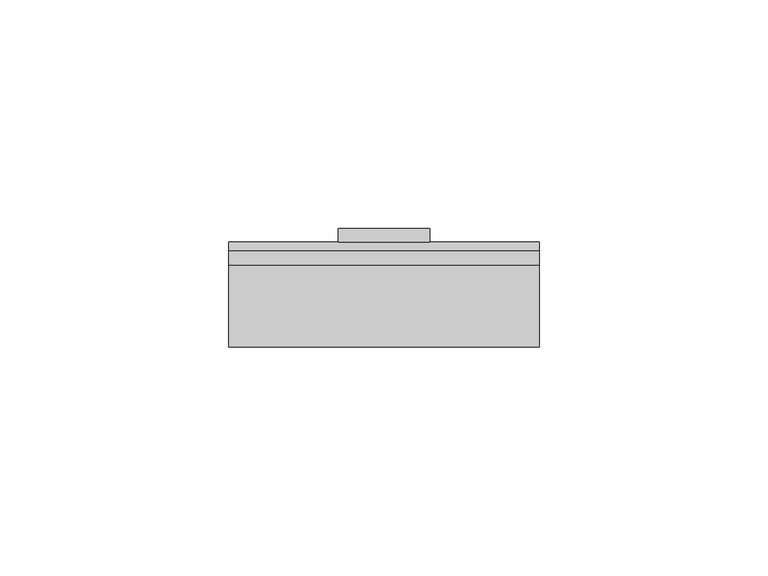
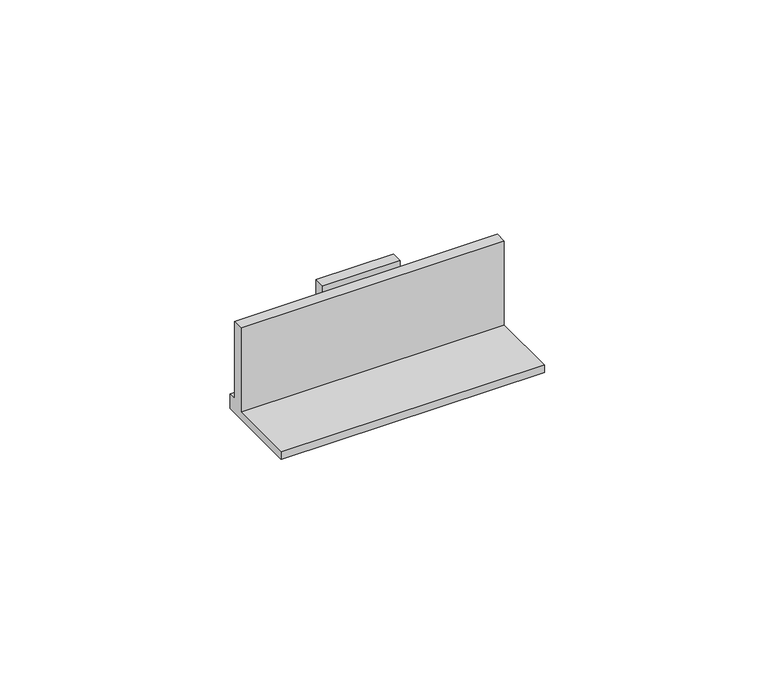
"""IFC4 building model written with IfcOpenShell, lengths in millimetres: proxy geometry."""

import ifcopenshell
import ifcopenshell.guid

model = None  # the IFC model being written
_history = None  # IfcOwnerHistory: only IFC2X3 demands one
_inside = {}  # id of a spatial element -> (the spatial element, [elements in it])
_under = {}  # id of a project, library or spatial element -> (it, [spatial elements below it])
_declared = {}  # id of a project -> (the project, [libraries it declares])
_typed = {}  # id of a type object -> (the type object, [elements of that type])
_made_of = {}  # id of a material, layer set ... -> (it, [elements and type objects made of it])


def new_model(schema):
    """Start an empty IFC model of exactly this schema.

    Asked for "IFC4X3", IfcOpenShell would pick the latest addendum, in which some entities
    have other attributes; the version numbers below select the first issue.
    IFC2X3 requires an IfcOwnerHistory on every rooted entity: one is made here for all.
    """
    global model, _history
    if schema == "IFC4X3":
        model = ifcopenshell.file(schema_version=(4, 3, 0, 0))
    else:
        model = ifcopenshell.file(schema=schema)
    _inside.clear()
    _under.clear()
    _declared.clear()
    _typed.clear()
    _made_of.clear()
    _history = None
    if model.schema == "IFC2X3":
        org = make("IfcOrganization", Name="unknown")
        user = make(
            "IfcPersonAndOrganization",
            ThePerson=make("IfcPerson", FamilyName="unknown"),
            TheOrganization=org,
        )
        app = make(
            "IfcApplication",
            ApplicationDeveloper=org,
            Version="unknown",
            ApplicationFullName="unknown",
            ApplicationIdentifier="unknown",
        )
        _history = make(
            "IfcOwnerHistory",
            OwningUser=user,
            OwningApplication=app,
            ChangeAction="ADDED",
            CreationDate=0,
        )
    return model


def make(cls, **values):
    """One entity of the class cls with the attributes given. An attribute that is None is left unset."""
    return model.create_entity(
        cls, **{name: value for name, value in values.items() if value is not None}
    )


def rooted(cls, **values):
    """An entity with a GlobalId (a new one), such as an element, a storey or a relation."""
    return make(cls, GlobalId=ifcopenshell.guid.new(), OwnerHistory=_history, **values)


def si_unit(unit_type, name, prefix=None):
    """IfcSIUnit, for example si_unit("LENGTHUNIT", "METRE", prefix="MILLI")."""
    return make("IfcSIUnit", UnitType=unit_type, Prefix=prefix, Name=name)


def assignment(units):
    """IfcUnitAssignment: the units of a project."""
    return None if units is None else make("IfcUnitAssignment", Units=units)


def point(xyz):
    """IfcCartesianPoint."""
    return None if xyz is None else make("IfcCartesianPoint", Coordinates=xyz)


def direction(xyz):
    """IfcDirection."""
    return None if xyz is None else make("IfcDirection", DirectionRatios=xyz)


def frame(location, z_axis=None, x_axis=None):
    """IfcAxis2Placement3D, a coordinate frame: its origin and axes. An axis left out is left unset."""
    return make(
        "IfcAxis2Placement3D",
        Location=point(location),
        Axis=direction(z_axis),
        RefDirection=direction(x_axis),
    )


def origin():
    """The frame at (0, 0, 0) with its axes left unset."""
    return frame((0.0, 0.0, 0.0))


def place(relative_to, where):
    """IfcLocalPlacement: puts the frame where relative to a parent placement (None: the world)."""
    return make(
        "IfcLocalPlacement", PlacementRelTo=relative_to, RelativePlacement=where
    )


def context(
    kind, dimensions, precision=None, world=None, true_north=None, identifier=None
):
    """IfcGeometricRepresentationContext, for example the 3D "Model" context."""
    return make(
        "IfcGeometricRepresentationContext",
        ContextIdentifier=identifier,
        ContextType=kind,
        CoordinateSpaceDimension=dimensions,
        Precision=precision,
        WorldCoordinateSystem=world,
        TrueNorth=true_north,
    )


def project(units=None, contexts=None):
    """IfcProject with its units and contexts."""
    return rooted(
        "IfcProject",
        Name="project",
        RepresentationContexts=contexts,
        UnitsInContext=assignment(units),
    )


def spatial(cls, under=None, at=None, **own):
    """A site, building, storey or space (cls), placed at a placement, below another one or the project."""
    s = rooted(cls, ObjectPlacement=at, **own)
    if under is not None:
        _under.setdefault(under.id(), (under, []))[1].append(s)
    return s


def polyline(points):
    """IfcPolyline through the points."""
    return make("IfcPolyline", Points=[point(p) for p in points])


def outline(outer, holes=None, kind="AREA"):
    """IfcArbitraryClosedProfileDef: a profile drawn as a closed curve; with holes, ...WithVoids."""
    if holes is None:
        return make("IfcArbitraryClosedProfileDef", ProfileType=kind, OuterCurve=outer)
    return make(
        "IfcArbitraryProfileDefWithVoids",
        ProfileType=kind,
        OuterCurve=outer,
        InnerCurves=holes,
    )


def extrude(swept, where, along, depth):
    """IfcExtrudedAreaSolid: the profile swept, set in the frame where, extruded along a direction by depth."""
    return make(
        "IfcExtrudedAreaSolid",
        SweptArea=swept,
        Position=where,
        ExtrudedDirection=direction(along),
        Depth=depth,
    )


def shape(context_of_items, identifier, shape_type, items):
    """IfcShapeRepresentation: the items that make up one representation, for example the "Body"."""
    return make(
        "IfcShapeRepresentation",
        ContextOfItems=context_of_items,
        RepresentationIdentifier=identifier,
        RepresentationType=shape_type,
        Items=items,
    )


def source(mapping_origin, context_of_items, identifier, shape_type, items):
    """IfcRepresentationMap: a shape defined once, which mapped items show again and again."""
    return make(
        "IfcRepresentationMap",
        MappingOrigin=mapping_origin,
        MappedRepresentation=shape(context_of_items, identifier, shape_type, items),
    )


def transform(
    local_origin,
    x_axis=None,
    y_axis=None,
    z_axis=None,
    scale=None,
    scale2=None,
    scale3=None,
    uniform=True,
):
    """IfcCartesianTransformationOperator3D, or its non-uniform kind. x_axis, y_axis, z_axis: its Axis1, 2, 3."""
    if uniform:
        return make(
            "IfcCartesianTransformationOperator3D",
            Axis1=direction(x_axis),
            Axis2=direction(y_axis),
            LocalOrigin=point(local_origin),
            Scale=scale,
            Axis3=direction(z_axis),
        )
    return make(
        "IfcCartesianTransformationOperator3DnonUniform",
        Axis1=direction(x_axis),
        Axis2=direction(y_axis),
        LocalOrigin=point(local_origin),
        Scale=scale,
        Axis3=direction(z_axis),
        Scale2=scale2,
        Scale3=scale3,
    )


def mapped(mapping_source, mapping_target):
    """IfcMappedItem: shows the shape of a source again, moved by a transform."""
    return make(
        "IfcMappedItem", MappingSource=mapping_source, MappingTarget=mapping_target
    )


def made_of(thing, what):
    """Note that an element or type object is made of a material, layer set ...; save() writes the relation."""
    if what is not None:
        _made_of.setdefault(what.id(), (what, []))[1].append(thing)
    return thing


def element(
    cls,
    number,
    at=None,
    inside=None,
    cuts=None,
    type_object=None,
    material=None,
    context=None,
    identifier="Body",
    shape_type=None,
    held_by="IfcProductDefinitionShape",
    body=None,
    shapes=None,
    **own,
):
    """One element of the class cls, such as IfcWall. Its Tag is "e" and its number.

    at: its placement. inside: the storey or other place that contains it. cuts: it is an
    opening in that element (IfcRelVoidsElement). A single representation is given by context,
    identifier, shape_type and body (its items); several are given by shapes. held_by: the class
    of the entity that holds the representations. save() writes the other relations.
    """
    e = rooted(cls, Tag="e%d" % number, ObjectPlacement=at, **own)
    if body is not None:
        shapes = [shape(context, identifier, shape_type, body)]
    if shapes is not None:
        e.Representation = make(held_by, Representations=shapes)
    if inside is not None:
        _inside.setdefault(inside.id(), (inside, []))[1].append(e)
    if cuts is not None:
        rooted(
            "IfcRelVoidsElement", RelatingBuildingElement=cuts, RelatedOpeningElement=e
        )
    if type_object is not None:
        _typed.setdefault(type_object.id(), (type_object, []))[1].append(e)
    return made_of(e, material)


def aggregate(whole, parts):
    """IfcRelAggregates: a whole, such as a stair, and the parts it consists of."""
    return rooted("IfcRelAggregates", RelatingObject=whole, RelatedObjects=parts)


def save(model, path):
    """Write the relations noted so far, then the file.

    IfcRelAggregates (storeys below a building ...), IfcRelContainedInSpatialStructure (elements
    in a storey), IfcRelDefinesByType, IfcRelAssociatesMaterial and IfcRelDeclares: one each for
    every whole, place, type object, material and project.
    """
    for whole, parts in _under.values():
        aggregate(whole, parts)
    for where, things in _inside.values():
        rooted(
            "IfcRelContainedInSpatialStructure",
            RelatedElements=things,
            RelatingStructure=where,
        )
    for kind, things in _typed.values():
        rooted("IfcRelDefinesByType", RelatedObjects=things, RelatingType=kind)
    for what, things in _made_of.values():
        rooted("IfcRelAssociatesMaterial", RelatedObjects=things, RelatingMaterial=what)
    for by, libraries in _declared.values():
        rooted("IfcRelDeclares", RelatingContext=by, RelatedDefinitions=libraries)
    model.write(path)


def specialty_equipment_19838f63(model_context):
    return source(origin(), model_context, "Body", "SweptSolid", [
        extrude(outline(polyline([(-7.25, 22.0), (-7.25, 19.0), (-27.25, 19.0), (-27.25, 22.0), (-7.25, 22.0)])), frame((0.0, 0.0, 1.0), z_axis=(0.0, 0.0, 1.0), x_axis=(1.0, 0.0, 0.0)), (0.0, 0.0, 1.0), 24.0),
        extrude(outline(polyline([(14.0, 2.0), (14.0, 25.0), (17.0, 25.0), (17.0, 3.9847617), (19.0, 3.9847617), (19.0, 0.0), (17.0, 0.0), (-4.0, 0.0), (-4.0, 2.0), (14.0, 2.0)])), frame((-51.25, 0.0, 0.0), z_axis=(1.0, 0.0, 0.0), x_axis=(0.0, 1.0, 0.0)), (0.0, 0.0, 1.0), 68.0),
    ])


if __name__ == "__main__":
    model = new_model("IFC4")
    model_context = context("Model", 3, world=origin())
    ifc_project = project(units=[si_unit("LENGTHUNIT", "METRE", prefix="MILLI")], contexts=[model_context])
    site = spatial("IfcSite", under=ifc_project)
    building = spatial("IfcBuilding", under=site)
    placement = place(None, origin())
    specialty_equipment_shape = specialty_equipment_19838f63(model_context)
    element("IfcBuildingElementProxy", 1, Name="Specialty Equipment", at=placement, inside=building, context=model_context, shape_type="MappedRepresentation", body=[
        mapped(specialty_equipment_shape, transform((0.0, 0.0, 0.0), x_axis=(1.0, 0.0, 0.0), y_axis=(0.0, 1.0, 0.0), z_axis=(0.0, 0.0, 1.0))),
    ])
    save(model, "model.ifc")
